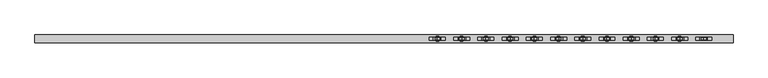
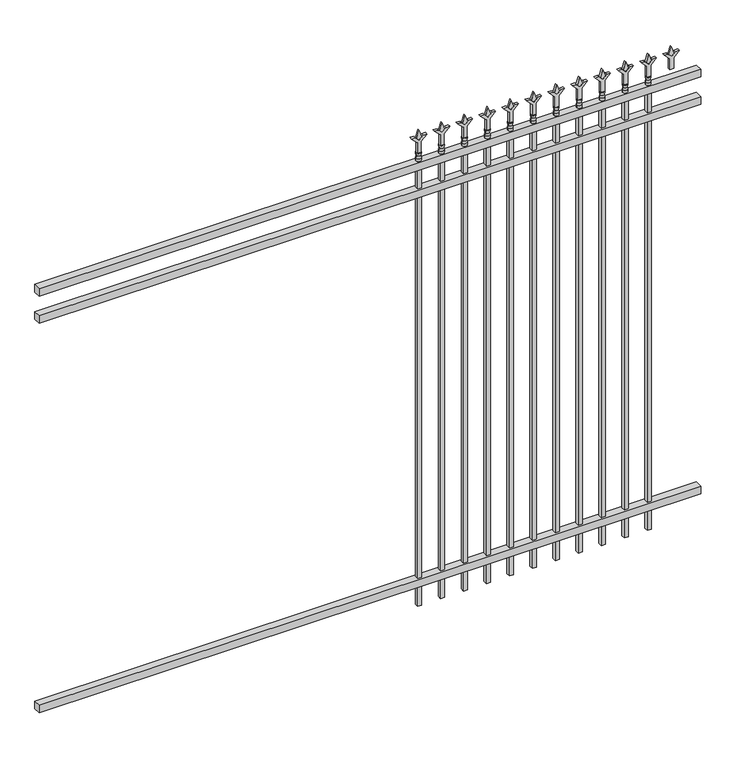
"""IFC4 building model written with IfcOpenShell, lengths in millimetres: railing geometry."""

from ifc_helpers import new_model, si_unit, frame, origin, place, context, project, spatial, polyline, circle_curve, outline, extrude, source, transform, mapped, element, save
from ifc_brep_helpers import plane_surface, cylinder_surface, revolved_surface, advanced_brep


def railing_1cf04734(model_context):
    return source(origin(), model_context, "Body", "SolidModel", [
        extrude(outline(polyline([(-55249.318087, -3091.1195174), (-55249.318087, -3056.1945174), (-52099.718087, -3056.1945174), (-52099.718087, -3091.1195174), (-55249.318087, -3091.1195174)])), frame((0.0, 0.0, 2247.9), z_axis=(0.0, 0.0, 1.0), x_axis=(1.0, 0.0, 0.0)), (0.0, 0.0, 1.0), 38.1),
        extrude(outline(polyline([(-55249.318087, -3091.1195174), (-55249.318087, -3056.1945174), (-52099.718087, -3056.1945174), (-52099.718087, -3091.1195174), (-55249.318087, -3091.1195174)])), frame((0.0, 0.0, 2111.375), z_axis=(0.0, 0.0, 1.0), x_axis=(1.0, 0.0, 0.0)), (0.0, 0.0, 1.0), 38.1),
        extrude(outline(polyline([(-55249.318087, -3091.1195174), (-55249.318087, -3056.1945174), (-52099.718087, -3056.1945174), (-52099.718087, -3091.1195174), (-55249.318087, -3091.1195174)])), frame((0.0, 0.0, 152.4), z_axis=(0.0, 0.0, 1.0), x_axis=(1.0, 0.0, 0.0)), (0.0, 0.0, 1.0), 38.1),
        extrude(outline(polyline([(2402.68125, -52328.8472536), (2438.4, -52340.7535036), (2402.68125, -52352.6597536), (2390.775, -52340.7535036), (2402.68125, -52328.8472536)])), frame((0.0, -3078.4195174, 0.0), z_axis=(0.0, 1.0, 0.0), x_axis=(0.0, 0.0, 1.0)), (0.0, 0.0, 1.0), 9.525),
        extrude(outline(polyline([(2327.275, -52332.0222536), (2381.5457378, -52332.0222536), (2408.7355122, -52304.8324791), (2408.7355122, -52322.7929914), (2390.775, -52340.7535036), (2408.7355122, -52358.7140159), (2408.7355122, -52376.6745281), (2381.5457378, -52349.4847536), (2327.275, -52349.4847536), (2327.275, -52332.0222536)])), frame((0.0, -3080.0070174, 0.0), z_axis=(0.0, 1.0, 0.0), x_axis=(0.0, 0.0, 1.0)), (0.0, 0.0, 1.0), 12.7),
        advanced_brep(
        [(-52328.8472536, -3073.6570174, 2298.7), (-52352.6597536, -3073.6570174, 2298.7), (-52352.6597536, -3073.6570174, 2286.0), (-52328.8472536, -3073.6570174, 2286.0), (-52331.0525855, -3073.6570174, 2311.2070585), (-52350.4544218, -3073.6570174, 2311.2070585), (-52328.8472536, -3073.6570174, 2327.275), (-52352.6597536, -3073.6570174, 2327.275), (-52340.7535036, -3073.6570174, 2327.275), (-52340.7535036, -3073.6570174, 2286.0)],
        [
            (0, 1, circle_curve(frame((-52340.7535036, -3073.6570174, 2298.7), z_axis=(0.0, 0.0, -1.0), x_axis=(-1.0, 0.0, 0.0)), 11.90625)),
            (1, 2),
            (2, 3, circle_curve(frame((-52340.7535036, -3073.6570174, 2286.0), z_axis=(0.0, 0.0, 1.0), x_axis=(-1.0, 0.0, 0.0)), 11.90625)),
            (3, 0),
            (1, 0, circle_curve(frame((-52340.7535036, -3073.6570174, 2298.7), z_axis=(0.0, 0.0, -1.0), x_axis=(-1.0, 0.0, 0.0)), 11.90625)),
            (3, 2, circle_curve(frame((-52340.7535036, -3073.6570174, 2286.0), z_axis=(0.0, 0.0, 1.0), x_axis=(-1.0, 0.0, 0.0)), 11.90625)),
            (4, 5, circle_curve(frame((-52340.7535036, -3073.6570174, 2311.2070585), z_axis=(0.0, 0.0, -1.0), x_axis=(-1.0, 0.0, 0.0)), 9.7009181)),
            (5, 1),
            (0, 4),
            (5, 4, circle_curve(frame((-52340.7535036, -3073.6570174, 2311.2070585), z_axis=(0.0, 0.0, -1.0), x_axis=(-1.0, 0.0, 0.0)), 9.7009181)),
            (6, 7, circle_curve(frame((-52340.7535036, -3073.6570174, 2327.275), z_axis=(0.0, 0.0, -1.0), x_axis=(-1.0, 0.0, 0.0)), 11.90625)),
            (7, 5),
            (4, 6),
            (7, 6, circle_curve(frame((-52340.7535036, -3073.6570174, 2327.275), z_axis=(0.0, 0.0, -1.0), x_axis=(-1.0, 0.0, 0.0)), 11.90625)),
            (8, 7),
            (6, 8),
            (2, 9),
            (9, 3),
        ],
        [
            cylinder_surface(frame((-52340.7535036, -3073.6570174, 2286.0), z_axis=(0.0, 0.0, 1.0), x_axis=(-1.0, 0.0, 0.0)), 11.90625),
            revolved_surface(polyline([(-52352.6597536, -3073.6570174, 2298.7), (-52350.4544218, -3073.6570174, 2311.2070585)]), (-52340.7535036, -3073.6570174, 2286.0), (0.0, 0.0, 1.0)),
            revolved_surface(polyline([(-52350.4544218, -3073.6570174, 2311.2070585), (-52352.6597536, -3073.6570174, 2327.275)]), (-52340.7535036, -3073.6570174, 2286.0), (0.0, 0.0, 1.0)),
            plane_surface(frame((-52340.7535036, -3073.6570174, 2327.275), z_axis=(0.0, 0.0, 1.0), x_axis=(-1.0, 0.0, 0.0))),
            plane_surface(frame((-52340.7535036, -3073.6570174, 2286.0), z_axis=(0.0, 0.0, -1.0), x_axis=(-1.0, 0.0, 0.0))),
        ],
        [
            (0, [[1, 2, 3, 4]]),
            (0, [[5, -4, 6, -2]]),
            (1, [[7, 8, -1, 9]]),
            (1, [[10, -9, -5, -8]]),
            (2, [[11, 12, -7, 13]]),
            (2, [[14, -13, -10, -12]]),
            (3, [[15, -11, 16]]),
            (3, [[-16, -14, -15]]),
            (4, [[-3, 17, 18]]),
            (4, [[-6, -18, -17]]),
        ],
    ),
        extrude(outline(polyline([(-52350.2785036, -3064.1320174), (-52331.2285036, -3064.1320174), (-52331.2285036, -3083.1820174), (-52350.2785036, -3083.1820174), (-52350.2785036, -3064.1320174)])), frame((0.0, 0.0, 50.8), z_axis=(0.0, 0.0, 1.0), x_axis=(1.0, 0.0, 0.0)), (0.0, 0.0, 1.0), 2235.2),
        extrude(outline(polyline([(2402.68125, -52438.1201703), (2438.4, -52450.0264203), (2402.68125, -52461.9326703), (2390.775, -52450.0264203), (2402.68125, -52438.1201703)])), frame((0.0, -3078.4195174, 0.0), z_axis=(0.0, 1.0, 0.0), x_axis=(0.0, 0.0, 1.0)), (0.0, 0.0, 1.0), 9.525),
        extrude(outline(polyline([(2327.275, -52441.2951703), (2381.5457378, -52441.2951703), (2408.7355122, -52414.1053958), (2408.7355122, -52432.0659081), (2390.775, -52450.0264203), (2408.7355122, -52467.9869325), (2408.7355122, -52485.9474448), (2381.5457378, -52458.7576703), (2327.275, -52458.7576703), (2327.275, -52441.2951703)])), frame((0.0, -3080.0070174, 0.0), z_axis=(0.0, 1.0, 0.0), x_axis=(0.0, 0.0, 1.0)), (0.0, 0.0, 1.0), 12.7),
        advanced_brep(
        [(-52438.1201703, -3073.6570174, 2298.7), (-52461.9326703, -3073.6570174, 2298.7), (-52461.9326703, -3073.6570174, 2286.0), (-52438.1201703, -3073.6570174, 2286.0), (-52440.3255022, -3073.6570174, 2311.2070585), (-52459.7273384, -3073.6570174, 2311.2070585), (-52438.1201703, -3073.6570174, 2327.275), (-52461.9326703, -3073.6570174, 2327.275), (-52450.0264203, -3073.6570174, 2327.275), (-52450.0264203, -3073.6570174, 2286.0)],
        [
            (0, 1, circle_curve(frame((-52450.0264203, -3073.6570174, 2298.7), z_axis=(0.0, 0.0, -1.0), x_axis=(-1.0, 0.0, 0.0)), 11.90625)),
            (1, 2),
            (2, 3, circle_curve(frame((-52450.0264203, -3073.6570174, 2286.0), z_axis=(0.0, 0.0, 1.0), x_axis=(-1.0, 0.0, 0.0)), 11.90625)),
            (3, 0),
            (1, 0, circle_curve(frame((-52450.0264203, -3073.6570174, 2298.7), z_axis=(0.0, 0.0, -1.0), x_axis=(-1.0, 0.0, 0.0)), 11.90625)),
            (3, 2, circle_curve(frame((-52450.0264203, -3073.6570174, 2286.0), z_axis=(0.0, 0.0, 1.0), x_axis=(-1.0, 0.0, 0.0)), 11.90625)),
            (4, 5, circle_curve(frame((-52450.0264203, -3073.6570174, 2311.2070585), z_axis=(0.0, 0.0, -1.0), x_axis=(-1.0, 0.0, 0.0)), 9.7009181)),
            (5, 1),
            (0, 4),
            (5, 4, circle_curve(frame((-52450.0264203, -3073.6570174, 2311.2070585), z_axis=(0.0, 0.0, -1.0), x_axis=(-1.0, 0.0, 0.0)), 9.7009181)),
            (6, 7, circle_curve(frame((-52450.0264203, -3073.6570174, 2327.275), z_axis=(0.0, 0.0, -1.0), x_axis=(-1.0, 0.0, 0.0)), 11.90625)),
            (7, 5),
            (4, 6),
            (7, 6, circle_curve(frame((-52450.0264203, -3073.6570174, 2327.275), z_axis=(0.0, 0.0, -1.0), x_axis=(-1.0, 0.0, 0.0)), 11.90625)),
            (8, 7),
            (6, 8),
            (2, 9),
            (9, 3),
        ],
        [
            cylinder_surface(frame((-52450.0264203, -3073.6570174, 2286.0), z_axis=(0.0, 0.0, 1.0), x_axis=(-1.0, 0.0, 0.0)), 11.90625),
            revolved_surface(polyline([(-52461.9326703, -3073.6570174, 2298.7), (-52459.7273384, -3073.6570174, 2311.2070585)]), (-52450.0264203, -3073.6570174, 2286.0), (0.0, 0.0, 1.0)),
            revolved_surface(polyline([(-52459.7273384, -3073.6570174, 2311.2070585), (-52461.9326703, -3073.6570174, 2327.275)]), (-52450.0264203, -3073.6570174, 2286.0), (0.0, 0.0, 1.0)),
            plane_surface(frame((-52450.0264203, -3073.6570174, 2327.275), z_axis=(0.0, 0.0, 1.0), x_axis=(-1.0, 0.0, 0.0))),
            plane_surface(frame((-52450.0264203, -3073.6570174, 2286.0), z_axis=(0.0, 0.0, -1.0), x_axis=(-1.0, 0.0, 0.0))),
        ],
        [
            (0, [[1, 2, 3, 4]]),
            (0, [[5, -4, 6, -2]]),
            (1, [[7, 8, -1, 9]]),
            (1, [[10, -9, -5, -8]]),
            (2, [[11, 12, -7, 13]]),
            (2, [[14, -13, -10, -12]]),
            (3, [[15, -11, 16]]),
            (3, [[-16, -14, -15]]),
            (4, [[-3, 17, 18]]),
            (4, [[-6, -18, -17]]),
        ],
    ),
        extrude(outline(polyline([(-52459.5514203, -3064.1320174), (-52440.5014203, -3064.1320174), (-52440.5014203, -3083.1820174), (-52459.5514203, -3083.1820174), (-52459.5514203, -3064.1320174)])), frame((0.0, 0.0, 50.8), z_axis=(0.0, 0.0, 1.0), x_axis=(1.0, 0.0, 0.0)), (0.0, 0.0, 1.0), 2235.2),
        extrude(outline(polyline([(2402.68125, -52547.393087), (2438.4, -52559.299337), (2402.68125, -52571.205587), (2390.775, -52559.299337), (2402.68125, -52547.393087)])), frame((0.0, -3078.4195174, 0.0), z_axis=(0.0, 1.0, 0.0), x_axis=(0.0, 0.0, 1.0)), (0.0, 0.0, 1.0), 9.525),
        extrude(outline(polyline([(2327.275, -52550.568087), (2381.5457378, -52550.568087), (2408.7355122, -52523.3783125), (2408.7355122, -52541.3388247), (2390.775, -52559.299337), (2408.7355122, -52577.2598492), (2408.7355122, -52595.2203614), (2381.5457378, -52568.030587), (2327.275, -52568.030587), (2327.275, -52550.568087)])), frame((0.0, -3080.0070174, 0.0), z_axis=(0.0, 1.0, 0.0), x_axis=(0.0, 0.0, 1.0)), (0.0, 0.0, 1.0), 12.7),
        advanced_brep(
        [(-52547.393087, -3073.6570174, 2298.7), (-52571.205587, -3073.6570174, 2298.7), (-52571.205587, -3073.6570174, 2286.0), (-52547.393087, -3073.6570174, 2286.0), (-52549.5984188, -3073.6570174, 2311.2070585), (-52569.0002551, -3073.6570174, 2311.2070585), (-52547.393087, -3073.6570174, 2327.275), (-52571.205587, -3073.6570174, 2327.275), (-52559.299337, -3073.6570174, 2327.275), (-52559.299337, -3073.6570174, 2286.0)],
        [
            (0, 1, circle_curve(frame((-52559.299337, -3073.6570174, 2298.7), z_axis=(0.0, 0.0, -1.0), x_axis=(-1.0, 0.0, 0.0)), 11.90625)),
            (1, 2),
            (2, 3, circle_curve(frame((-52559.299337, -3073.6570174, 2286.0), z_axis=(0.0, 0.0, 1.0), x_axis=(-1.0, 0.0, 0.0)), 11.90625)),
            (3, 0),
            (1, 0, circle_curve(frame((-52559.299337, -3073.6570174, 2298.7), z_axis=(0.0, 0.0, -1.0), x_axis=(-1.0, 0.0, 0.0)), 11.90625)),
            (3, 2, circle_curve(frame((-52559.299337, -3073.6570174, 2286.0), z_axis=(0.0, 0.0, 1.0), x_axis=(-1.0, 0.0, 0.0)), 11.90625)),
            (4, 5, circle_curve(frame((-52559.299337, -3073.6570174, 2311.2070585), z_axis=(0.0, 0.0, -1.0), x_axis=(-1.0, 0.0, 0.0)), 9.7009181)),
            (5, 1),
            (0, 4),
            (5, 4, circle_curve(frame((-52559.299337, -3073.6570174, 2311.2070585), z_axis=(0.0, 0.0, -1.0), x_axis=(-1.0, 0.0, 0.0)), 9.7009181)),
            (6, 7, circle_curve(frame((-52559.299337, -3073.6570174, 2327.275), z_axis=(0.0, 0.0, -1.0), x_axis=(-1.0, 0.0, 0.0)), 11.90625)),
            (7, 5),
            (4, 6),
            (7, 6, circle_curve(frame((-52559.299337, -3073.6570174, 2327.275), z_axis=(0.0, 0.0, -1.0), x_axis=(-1.0, 0.0, 0.0)), 11.90625)),
            (8, 7),
            (6, 8),
            (2, 9),
            (9, 3),
        ],
        [
            cylinder_surface(frame((-52559.299337, -3073.6570174, 2286.0), z_axis=(0.0, 0.0, 1.0), x_axis=(-1.0, 0.0, 0.0)), 11.90625),
            revolved_surface(polyline([(-52571.205587, -3073.6570174, 2298.7), (-52569.0002551, -3073.6570174, 2311.2070585)]), (-52559.299337, -3073.6570174, 2286.0), (0.0, 0.0, 1.0)),
            revolved_surface(polyline([(-52569.0002551, -3073.6570174, 2311.2070585), (-52571.205587, -3073.6570174, 2327.275)]), (-52559.299337, -3073.6570174, 2286.0), (0.0, 0.0, 1.0)),
            plane_surface(frame((-52559.299337, -3073.6570174, 2327.275), z_axis=(0.0, 0.0, 1.0), x_axis=(-1.0, 0.0, 0.0))),
            plane_surface(frame((-52559.299337, -3073.6570174, 2286.0), z_axis=(0.0, 0.0, -1.0), x_axis=(-1.0, 0.0, 0.0))),
        ],
        [
            (0, [[1, 2, 3, 4]]),
            (0, [[5, -4, 6, -2]]),
            (1, [[7, 8, -1, 9]]),
            (1, [[10, -9, -5, -8]]),
            (2, [[11, 12, -7, 13]]),
            (2, [[14, -13, -10, -12]]),
            (3, [[15, -11, 16]]),
            (3, [[-16, -14, -15]]),
            (4, [[-3, 17, 18]]),
            (4, [[-6, -18, -17]]),
        ],
    ),
        extrude(outline(polyline([(-52568.824337, -3064.1320174), (-52549.774337, -3064.1320174), (-52549.774337, -3083.1820174), (-52568.824337, -3083.1820174), (-52568.824337, -3064.1320174)])), frame((0.0, 0.0, 50.8), z_axis=(0.0, 0.0, 1.0), x_axis=(1.0, 0.0, 0.0)), (0.0, 0.0, 1.0), 2235.2),
        extrude(outline(polyline([(2402.68125, -52656.6660036), (2438.4, -52668.5722536), (2402.68125, -52680.4785036), (2390.775, -52668.5722536), (2402.68125, -52656.6660036)])), frame((0.0, -3078.4195174, 0.0), z_axis=(0.0, 1.0, 0.0), x_axis=(0.0, 0.0, 1.0)), (0.0, 0.0, 1.0), 9.525),
        extrude(outline(polyline([(2327.275, -52659.8410036), (2381.5457378, -52659.8410036), (2408.7355122, -52632.6512291), (2408.7355122, -52650.6117414), (2390.775, -52668.5722536), (2408.7355122, -52686.5327659), (2408.7355122, -52704.4932781), (2381.5457378, -52677.3035036), (2327.275, -52677.3035036), (2327.275, -52659.8410036)])), frame((0.0, -3080.0070174, 0.0), z_axis=(0.0, 1.0, 0.0), x_axis=(0.0, 0.0, 1.0)), (0.0, 0.0, 1.0), 12.7),
        advanced_brep(
        [(-52656.6660036, -3073.6570174, 2298.7), (-52680.4785036, -3073.6570174, 2298.7), (-52680.4785036, -3073.6570174, 2286.0), (-52656.6660036, -3073.6570174, 2286.0), (-52658.8713355, -3073.6570174, 2311.2070585), (-52678.2731718, -3073.6570174, 2311.2070585), (-52656.6660036, -3073.6570174, 2327.275), (-52680.4785036, -3073.6570174, 2327.275), (-52668.5722536, -3073.6570174, 2327.275), (-52668.5722536, -3073.6570174, 2286.0)],
        [
            (0, 1, circle_curve(frame((-52668.5722536, -3073.6570174, 2298.7), z_axis=(0.0, 0.0, -1.0), x_axis=(-1.0, 0.0, 0.0)), 11.90625)),
            (1, 2),
            (2, 3, circle_curve(frame((-52668.5722536, -3073.6570174, 2286.0), z_axis=(0.0, 0.0, 1.0), x_axis=(-1.0, 0.0, 0.0)), 11.90625)),
            (3, 0),
            (1, 0, circle_curve(frame((-52668.5722536, -3073.6570174, 2298.7), z_axis=(0.0, 0.0, -1.0), x_axis=(-1.0, 0.0, 0.0)), 11.90625)),
            (3, 2, circle_curve(frame((-52668.5722536, -3073.6570174, 2286.0), z_axis=(0.0, 0.0, 1.0), x_axis=(-1.0, 0.0, 0.0)), 11.90625)),
            (4, 5, circle_curve(frame((-52668.5722536, -3073.6570174, 2311.2070585), z_axis=(0.0, 0.0, -1.0), x_axis=(-1.0, 0.0, 0.0)), 9.7009181)),
            (5, 1),
            (0, 4),
            (5, 4, circle_curve(frame((-52668.5722536, -3073.6570174, 2311.2070585), z_axis=(0.0, 0.0, -1.0), x_axis=(-1.0, 0.0, 0.0)), 9.7009181)),
            (6, 7, circle_curve(frame((-52668.5722536, -3073.6570174, 2327.275), z_axis=(0.0, 0.0, -1.0), x_axis=(-1.0, 0.0, 0.0)), 11.90625)),
            (7, 5),
            (4, 6),
            (7, 6, circle_curve(frame((-52668.5722536, -3073.6570174, 2327.275), z_axis=(0.0, 0.0, -1.0), x_axis=(-1.0, 0.0, 0.0)), 11.90625)),
            (8, 7),
            (6, 8),
            (2, 9),
            (9, 3),
        ],
        [
            cylinder_surface(frame((-52668.5722536, -3073.6570174, 2286.0), z_axis=(0.0, 0.0, 1.0), x_axis=(-1.0, 0.0, 0.0)), 11.90625),
            revolved_surface(polyline([(-52680.4785036, -3073.6570174, 2298.7), (-52678.2731718, -3073.6570174, 2311.2070585)]), (-52668.5722536, -3073.6570174, 2286.0), (0.0, 0.0, 1.0)),
            revolved_surface(polyline([(-52678.2731718, -3073.6570174, 2311.2070585), (-52680.4785036, -3073.6570174, 2327.275)]), (-52668.5722536, -3073.6570174, 2286.0), (0.0, 0.0, 1.0)),
            plane_surface(frame((-52668.5722536, -3073.6570174, 2327.275), z_axis=(0.0, 0.0, 1.0), x_axis=(-1.0, 0.0, 0.0))),
            plane_surface(frame((-52668.5722536, -3073.6570174, 2286.0), z_axis=(0.0, 0.0, -1.0), x_axis=(-1.0, 0.0, 0.0))),
        ],
        [
            (0, [[1, 2, 3, 4]]),
            (0, [[5, -4, 6, -2]]),
            (1, [[7, 8, -1, 9]]),
            (1, [[10, -9, -5, -8]]),
            (2, [[11, 12, -7, 13]]),
            (2, [[14, -13, -10, -12]]),
            (3, [[15, -11, 16]]),
            (3, [[-16, -14, -15]]),
            (4, [[-3, 17, 18]]),
            (4, [[-6, -18, -17]]),
        ],
    ),
        extrude(outline(polyline([(-52678.0972536, -3064.1320174), (-52659.0472536, -3064.1320174), (-52659.0472536, -3083.1820174), (-52678.0972536, -3083.1820174), (-52678.0972536, -3064.1320174)])), frame((0.0, 0.0, 50.8), z_axis=(0.0, 0.0, 1.0), x_axis=(1.0, 0.0, 0.0)), (0.0, 0.0, 1.0), 2235.2),
        extrude(outline(polyline([(2402.68125, -52765.9389203), (2438.4, -52777.8451703), (2402.68125, -52789.7514203), (2390.775, -52777.8451703), (2402.68125, -52765.9389203)])), frame((0.0, -3078.4195174, 0.0), z_axis=(0.0, 1.0, 0.0), x_axis=(0.0, 0.0, 1.0)), (0.0, 0.0, 1.0), 9.525),
        extrude(outline(polyline([(2327.275, -52769.1139203), (2381.5457378, -52769.1139203), (2408.7355122, -52741.9241458), (2408.7355122, -52759.8846581), (2390.775, -52777.8451703), (2408.7355122, -52795.8056825), (2408.7355122, -52813.7661948), (2381.5457378, -52786.5764203), (2327.275, -52786.5764203), (2327.275, -52769.1139203)])), frame((0.0, -3080.0070174, 0.0), z_axis=(0.0, 1.0, 0.0), x_axis=(0.0, 0.0, 1.0)), (0.0, 0.0, 1.0), 12.7),
        advanced_brep(
        [(-52765.9389203, -3073.6570174, 2298.7), (-52789.7514203, -3073.6570174, 2298.7), (-52789.7514203, -3073.6570174, 2286.0), (-52765.9389203, -3073.6570174, 2286.0), (-52768.1442522, -3073.6570174, 2311.2070585), (-52787.5460884, -3073.6570174, 2311.2070585), (-52765.9389203, -3073.6570174, 2327.275), (-52789.7514203, -3073.6570174, 2327.275), (-52777.8451703, -3073.6570174, 2327.275), (-52777.8451703, -3073.6570174, 2286.0)],
        [
            (0, 1, circle_curve(frame((-52777.8451703, -3073.6570174, 2298.7), z_axis=(0.0, 0.0, -1.0), x_axis=(-1.0, 0.0, 0.0)), 11.90625)),
            (1, 2),
            (2, 3, circle_curve(frame((-52777.8451703, -3073.6570174, 2286.0), z_axis=(0.0, 0.0, 1.0), x_axis=(-1.0, 0.0, 0.0)), 11.90625)),
            (3, 0),
            (1, 0, circle_curve(frame((-52777.8451703, -3073.6570174, 2298.7), z_axis=(0.0, 0.0, -1.0), x_axis=(-1.0, 0.0, 0.0)), 11.90625)),
            (3, 2, circle_curve(frame((-52777.8451703, -3073.6570174, 2286.0), z_axis=(0.0, 0.0, 1.0), x_axis=(-1.0, 0.0, 0.0)), 11.90625)),
            (4, 5, circle_curve(frame((-52777.8451703, -3073.6570174, 2311.2070585), z_axis=(0.0, 0.0, -1.0), x_axis=(-1.0, 0.0, 0.0)), 9.7009181)),
            (5, 1),
            (0, 4),
            (5, 4, circle_curve(frame((-52777.8451703, -3073.6570174, 2311.2070585), z_axis=(0.0, 0.0, -1.0), x_axis=(-1.0, 0.0, 0.0)), 9.7009181)),
            (6, 7, circle_curve(frame((-52777.8451703, -3073.6570174, 2327.275), z_axis=(0.0, 0.0, -1.0), x_axis=(-1.0, 0.0, 0.0)), 11.90625)),
            (7, 5),
            (4, 6),
            (7, 6, circle_curve(frame((-52777.8451703, -3073.6570174, 2327.275), z_axis=(0.0, 0.0, -1.0), x_axis=(-1.0, 0.0, 0.0)), 11.90625)),
            (8, 7),
            (6, 8),
            (2, 9),
            (9, 3),
        ],
        [
            cylinder_surface(frame((-52777.8451703, -3073.6570174, 2286.0), z_axis=(0.0, 0.0, 1.0), x_axis=(-1.0, 0.0, 0.0)), 11.90625),
            revolved_surface(polyline([(-52789.7514203, -3073.6570174, 2298.7), (-52787.5460884, -3073.6570174, 2311.2070585)]), (-52777.8451703, -3073.6570174, 2286.0), (0.0, 0.0, 1.0)),
            revolved_surface(polyline([(-52787.5460884, -3073.6570174, 2311.2070585), (-52789.7514203, -3073.6570174, 2327.275)]), (-52777.8451703, -3073.6570174, 2286.0), (0.0, 0.0, 1.0)),
            plane_surface(frame((-52777.8451703, -3073.6570174, 2327.275), z_axis=(0.0, 0.0, 1.0), x_axis=(-1.0, 0.0, 0.0))),
            plane_surface(frame((-52777.8451703, -3073.6570174, 2286.0), z_axis=(0.0, 0.0, -1.0), x_axis=(-1.0, 0.0, 0.0))),
        ],
        [
            (0, [[1, 2, 3, 4]]),
            (0, [[5, -4, 6, -2]]),
            (1, [[7, 8, -1, 9]]),
            (1, [[10, -9, -5, -8]]),
            (2, [[11, 12, -7, 13]]),
            (2, [[14, -13, -10, -12]]),
            (3, [[15, -11, 16]]),
            (3, [[-16, -14, -15]]),
            (4, [[-3, 17, 18]]),
            (4, [[-6, -18, -17]]),
        ],
    ),
        extrude(outline(polyline([(-52787.3701703, -3064.1320174), (-52768.3201703, -3064.1320174), (-52768.3201703, -3083.1820174), (-52787.3701703, -3083.1820174), (-52787.3701703, -3064.1320174)])), frame((0.0, 0.0, 50.8), z_axis=(0.0, 0.0, 1.0), x_axis=(1.0, 0.0, 0.0)), (0.0, 0.0, 1.0), 2235.2),
        extrude(outline(polyline([(2402.68125, -52875.211837), (2438.4, -52887.118087), (2402.68125, -52899.024337), (2390.775, -52887.118087), (2402.68125, -52875.211837)])), frame((0.0, -3078.4195174, 0.0), z_axis=(0.0, 1.0, 0.0), x_axis=(0.0, 0.0, 1.0)), (0.0, 0.0, 1.0), 9.525),
        extrude(outline(polyline([(2327.275, -52878.386837), (2381.5457378, -52878.386837), (2408.7355122, -52851.1970625), (2408.7355122, -52869.1575747), (2390.775, -52887.118087), (2408.7355122, -52905.0785992), (2408.7355122, -52923.0391114), (2381.5457378, -52895.849337), (2327.275, -52895.849337), (2327.275, -52878.386837)])), frame((0.0, -3080.0070174, 0.0), z_axis=(0.0, 1.0, 0.0), x_axis=(0.0, 0.0, 1.0)), (0.0, 0.0, 1.0), 12.7),
        advanced_brep(
        [(-52875.211837, -3073.6570174, 2298.7), (-52899.024337, -3073.6570174, 2298.7), (-52899.024337, -3073.6570174, 2286.0), (-52875.211837, -3073.6570174, 2286.0), (-52877.4171688, -3073.6570174, 2311.2070585), (-52896.8190051, -3073.6570174, 2311.2070585), (-52875.211837, -3073.6570174, 2327.275), (-52899.024337, -3073.6570174, 2327.275), (-52887.118087, -3073.6570174, 2327.275), (-52887.118087, -3073.6570174, 2286.0)],
        [
            (0, 1, circle_curve(frame((-52887.118087, -3073.6570174, 2298.7), z_axis=(0.0, 0.0, -1.0), x_axis=(-1.0, 0.0, 0.0)), 11.90625)),
            (1, 2),
            (2, 3, circle_curve(frame((-52887.118087, -3073.6570174, 2286.0), z_axis=(0.0, 0.0, 1.0), x_axis=(-1.0, 0.0, 0.0)), 11.90625)),
            (3, 0),
            (1, 0, circle_curve(frame((-52887.118087, -3073.6570174, 2298.7), z_axis=(0.0, 0.0, -1.0), x_axis=(-1.0, 0.0, 0.0)), 11.90625)),
            (3, 2, circle_curve(frame((-52887.118087, -3073.6570174, 2286.0), z_axis=(0.0, 0.0, 1.0), x_axis=(-1.0, 0.0, 0.0)), 11.90625)),
            (4, 5, circle_curve(frame((-52887.118087, -3073.6570174, 2311.2070585), z_axis=(0.0, 0.0, -1.0), x_axis=(-1.0, 0.0, 0.0)), 9.7009181)),
            (5, 1),
            (0, 4),
            (5, 4, circle_curve(frame((-52887.118087, -3073.6570174, 2311.2070585), z_axis=(0.0, 0.0, -1.0), x_axis=(-1.0, 0.0, 0.0)), 9.7009181)),
            (6, 7, circle_curve(frame((-52887.118087, -3073.6570174, 2327.275), z_axis=(0.0, 0.0, -1.0), x_axis=(-1.0, 0.0, 0.0)), 11.90625)),
            (7, 5),
            (4, 6),
            (7, 6, circle_curve(frame((-52887.118087, -3073.6570174, 2327.275), z_axis=(0.0, 0.0, -1.0), x_axis=(-1.0, 0.0, 0.0)), 11.90625)),
            (8, 7),
            (6, 8),
            (2, 9),
            (9, 3),
        ],
        [
            cylinder_surface(frame((-52887.118087, -3073.6570174, 2286.0), z_axis=(0.0, 0.0, 1.0), x_axis=(-1.0, 0.0, 0.0)), 11.90625),
            revolved_surface(polyline([(-52899.024337, -3073.6570174, 2298.7), (-52896.8190051, -3073.6570174, 2311.2070585)]), (-52887.118087, -3073.6570174, 2286.0), (0.0, 0.0, 1.0)),
            revolved_surface(polyline([(-52896.8190051, -3073.6570174, 2311.2070585), (-52899.024337, -3073.6570174, 2327.275)]), (-52887.118087, -3073.6570174, 2286.0), (0.0, 0.0, 1.0)),
            plane_surface(frame((-52887.118087, -3073.6570174, 2327.275), z_axis=(0.0, 0.0, 1.0), x_axis=(-1.0, 0.0, 0.0))),
            plane_surface(frame((-52887.118087, -3073.6570174, 2286.0), z_axis=(0.0, 0.0, -1.0), x_axis=(-1.0, 0.0, 0.0))),
        ],
        [
            (0, [[1, 2, 3, 4]]),
            (0, [[5, -4, 6, -2]]),
            (1, [[7, 8, -1, 9]]),
            (1, [[10, -9, -5, -8]]),
            (2, [[11, 12, -7, 13]]),
            (2, [[14, -13, -10, -12]]),
            (3, [[15, -11, 16]]),
            (3, [[-16, -14, -15]]),
            (4, [[-3, 17, 18]]),
            (4, [[-6, -18, -17]]),
        ],
    ),
        extrude(outline(polyline([(-52896.643087, -3064.1320174), (-52877.593087, -3064.1320174), (-52877.593087, -3083.1820174), (-52896.643087, -3083.1820174), (-52896.643087, -3064.1320174)])), frame((0.0, 0.0, 50.8), z_axis=(0.0, 0.0, 1.0), x_axis=(1.0, 0.0, 0.0)), (0.0, 0.0, 1.0), 2235.2),
        extrude(outline(polyline([(2402.68125, -52984.4847536), (2438.4, -52996.3910036), (2402.68125, -53008.2972536), (2390.775, -52996.3910036), (2402.68125, -52984.4847536)])), frame((0.0, -3078.4195174, 0.0), z_axis=(0.0, 1.0, 0.0), x_axis=(0.0, 0.0, 1.0)), (0.0, 0.0, 1.0), 9.525),
        extrude(outline(polyline([(2327.275, -52987.6597536), (2381.5457378, -52987.6597536), (2408.7355122, -52960.4699791), (2408.7355122, -52978.4304914), (2390.775, -52996.3910036), (2408.7355122, -53014.3515159), (2408.7355122, -53032.3120281), (2381.5457378, -53005.1222536), (2327.275, -53005.1222536), (2327.275, -52987.6597536)])), frame((0.0, -3080.0070174, 0.0), z_axis=(0.0, 1.0, 0.0), x_axis=(0.0, 0.0, 1.0)), (0.0, 0.0, 1.0), 12.7),
        advanced_brep(
        [(-52984.4847536, -3073.6570174, 2298.7), (-53008.2972536, -3073.6570174, 2298.7), (-53008.2972536, -3073.6570174, 2286.0), (-52984.4847536, -3073.6570174, 2286.0), (-52986.6900855, -3073.6570174, 2311.2070585), (-53006.0919218, -3073.6570174, 2311.2070585), (-52984.4847536, -3073.6570174, 2327.275), (-53008.2972536, -3073.6570174, 2327.275), (-52996.3910036, -3073.6570174, 2327.275), (-52996.3910036, -3073.6570174, 2286.0)],
        [
            (0, 1, circle_curve(frame((-52996.3910036, -3073.6570174, 2298.7), z_axis=(0.0, 0.0, -1.0), x_axis=(-1.0, 0.0, 0.0)), 11.90625)),
            (1, 2),
            (2, 3, circle_curve(frame((-52996.3910036, -3073.6570174, 2286.0), z_axis=(0.0, 0.0, 1.0), x_axis=(-1.0, 0.0, 0.0)), 11.90625)),
            (3, 0),
            (1, 0, circle_curve(frame((-52996.3910036, -3073.6570174, 2298.7), z_axis=(0.0, 0.0, -1.0), x_axis=(-1.0, 0.0, 0.0)), 11.90625)),
            (3, 2, circle_curve(frame((-52996.3910036, -3073.6570174, 2286.0), z_axis=(0.0, 0.0, 1.0), x_axis=(-1.0, 0.0, 0.0)), 11.90625)),
            (4, 5, circle_curve(frame((-52996.3910036, -3073.6570174, 2311.2070585), z_axis=(0.0, 0.0, -1.0), x_axis=(-1.0, 0.0, 0.0)), 9.7009181)),
            (5, 1),
            (0, 4),
            (5, 4, circle_curve(frame((-52996.3910036, -3073.6570174, 2311.2070585), z_axis=(0.0, 0.0, -1.0), x_axis=(-1.0, 0.0, 0.0)), 9.7009181)),
            (6, 7, circle_curve(frame((-52996.3910036, -3073.6570174, 2327.275), z_axis=(0.0, 0.0, -1.0), x_axis=(-1.0, 0.0, 0.0)), 11.90625)),
            (7, 5),
            (4, 6),
            (7, 6, circle_curve(frame((-52996.3910036, -3073.6570174, 2327.275), z_axis=(0.0, 0.0, -1.0), x_axis=(-1.0, 0.0, 0.0)), 11.90625)),
            (8, 7),
            (6, 8),
            (2, 9),
            (9, 3),
        ],
        [
            cylinder_surface(frame((-52996.3910036, -3073.6570174, 2286.0), z_axis=(0.0, 0.0, 1.0), x_axis=(-1.0, 0.0, 0.0)), 11.90625),
            revolved_surface(polyline([(-53008.2972536, -3073.6570174, 2298.7), (-53006.0919218, -3073.6570174, 2311.2070585)]), (-52996.3910036, -3073.6570174, 2286.0), (0.0, 0.0, 1.0)),
            revolved_surface(polyline([(-53006.0919218, -3073.6570174, 2311.2070585), (-53008.2972536, -3073.6570174, 2327.275)]), (-52996.3910036, -3073.6570174, 2286.0), (0.0, 0.0, 1.0)),
            plane_surface(frame((-52996.3910036, -3073.6570174, 2327.275), z_axis=(0.0, 0.0, 1.0), x_axis=(-1.0, 0.0, 0.0))),
            plane_surface(frame((-52996.3910036, -3073.6570174, 2286.0), z_axis=(0.0, 0.0, -1.0), x_axis=(-1.0, 0.0, 0.0))),
        ],
        [
            (0, [[1, 2, 3, 4]]),
            (0, [[5, -4, 6, -2]]),
            (1, [[7, 8, -1, 9]]),
            (1, [[10, -9, -5, -8]]),
            (2, [[11, 12, -7, 13]]),
            (2, [[14, -13, -10, -12]]),
            (3, [[15, -11, 16]]),
            (3, [[-16, -14, -15]]),
            (4, [[-3, 17, 18]]),
            (4, [[-6, -18, -17]]),
        ],
    ),
        extrude(outline(polyline([(-53005.9160036, -3064.1320174), (-52986.8660036, -3064.1320174), (-52986.8660036, -3083.1820174), (-53005.9160036, -3083.1820174), (-53005.9160036, -3064.1320174)])), frame((0.0, 0.0, 50.8), z_axis=(0.0, 0.0, 1.0), x_axis=(1.0, 0.0, 0.0)), (0.0, 0.0, 1.0), 2235.2),
        extrude(outline(polyline([(2402.68125, -53093.7576703), (2438.4, -53105.6639203), (2402.68125, -53117.5701703), (2390.775, -53105.6639203), (2402.68125, -53093.7576703)])), frame((0.0, -3078.4195174, 0.0), z_axis=(0.0, 1.0, 0.0), x_axis=(0.0, 0.0, 1.0)), (0.0, 0.0, 1.0), 9.525),
        extrude(outline(polyline([(2327.275, -53096.9326703), (2381.5457378, -53096.9326703), (2408.7355122, -53069.7428958), (2408.7355122, -53087.7034081), (2390.775, -53105.6639203), (2408.7355122, -53123.6244325), (2408.7355122, -53141.5849448), (2381.5457378, -53114.3951703), (2327.275, -53114.3951703), (2327.275, -53096.9326703)])), frame((0.0, -3080.0070174, 0.0), z_axis=(0.0, 1.0, 0.0), x_axis=(0.0, 0.0, 1.0)), (0.0, 0.0, 1.0), 12.7),
        advanced_brep(
        [(-53093.7576703, -3073.6570174, 2298.7), (-53117.5701703, -3073.6570174, 2298.7), (-53117.5701703, -3073.6570174, 2286.0), (-53093.7576703, -3073.6570174, 2286.0), (-53095.9630022, -3073.6570174, 2311.2070585), (-53115.3648384, -3073.6570174, 2311.2070585), (-53093.7576703, -3073.6570174, 2327.275), (-53117.5701703, -3073.6570174, 2327.275), (-53105.6639203, -3073.6570174, 2327.275), (-53105.6639203, -3073.6570174, 2286.0)],
        [
            (0, 1, circle_curve(frame((-53105.6639203, -3073.6570174, 2298.7), z_axis=(0.0, 0.0, -1.0), x_axis=(-1.0, 0.0, 0.0)), 11.90625)),
            (1, 2),
            (2, 3, circle_curve(frame((-53105.6639203, -3073.6570174, 2286.0), z_axis=(0.0, 0.0, 1.0), x_axis=(-1.0, 0.0, 0.0)), 11.90625)),
            (3, 0),
            (1, 0, circle_curve(frame((-53105.6639203, -3073.6570174, 2298.7), z_axis=(0.0, 0.0, -1.0), x_axis=(-1.0, 0.0, 0.0)), 11.90625)),
            (3, 2, circle_curve(frame((-53105.6639203, -3073.6570174, 2286.0), z_axis=(0.0, 0.0, 1.0), x_axis=(-1.0, 0.0, 0.0)), 11.90625)),
            (4, 5, circle_curve(frame((-53105.6639203, -3073.6570174, 2311.2070585), z_axis=(0.0, 0.0, -1.0), x_axis=(-1.0, 0.0, 0.0)), 9.7009181)),
            (5, 1),
            (0, 4),
            (5, 4, circle_curve(frame((-53105.6639203, -3073.6570174, 2311.2070585), z_axis=(0.0, 0.0, -1.0), x_axis=(-1.0, 0.0, 0.0)), 9.7009181)),
            (6, 7, circle_curve(frame((-53105.6639203, -3073.6570174, 2327.275), z_axis=(0.0, 0.0, -1.0), x_axis=(-1.0, 0.0, 0.0)), 11.90625)),
            (7, 5),
            (4, 6),
            (7, 6, circle_curve(frame((-53105.6639203, -3073.6570174, 2327.275), z_axis=(0.0, 0.0, -1.0), x_axis=(-1.0, 0.0, 0.0)), 11.90625)),
            (8, 7),
            (6, 8),
            (2, 9),
            (9, 3),
        ],
        [
            cylinder_surface(frame((-53105.6639203, -3073.6570174, 2286.0), z_axis=(0.0, 0.0, 1.0), x_axis=(-1.0, 0.0, 0.0)), 11.90625),
            revolved_surface(polyline([(-53117.5701703, -3073.6570174, 2298.7), (-53115.3648384, -3073.6570174, 2311.2070585)]), (-53105.6639203, -3073.6570174, 2286.0), (0.0, 0.0, 1.0)),
            revolved_surface(polyline([(-53115.3648384, -3073.6570174, 2311.2070585), (-53117.5701703, -3073.6570174, 2327.275)]), (-53105.6639203, -3073.6570174, 2286.0), (0.0, 0.0, 1.0)),
            plane_surface(frame((-53105.6639203, -3073.6570174, 2327.275), z_axis=(0.0, 0.0, 1.0), x_axis=(-1.0, 0.0, 0.0))),
            plane_surface(frame((-53105.6639203, -3073.6570174, 2286.0), z_axis=(0.0, 0.0, -1.0), x_axis=(-1.0, 0.0, 0.0))),
        ],
        [
            (0, [[1, 2, 3, 4]]),
            (0, [[5, -4, 6, -2]]),
            (1, [[7, 8, -1, 9]]),
            (1, [[10, -9, -5, -8]]),
            (2, [[11, 12, -7, 13]]),
            (2, [[14, -13, -10, -12]]),
            (3, [[15, -11, 16]]),
            (3, [[-16, -14, -15]]),
            (4, [[-3, 17, 18]]),
            (4, [[-6, -18, -17]]),
        ],
    ),
        extrude(outline(polyline([(-53115.1889203, -3064.1320174), (-53096.1389203, -3064.1320174), (-53096.1389203, -3083.1820174), (-53115.1889203, -3083.1820174), (-53115.1889203, -3064.1320174)])), frame((0.0, 0.0, 50.8), z_axis=(0.0, 0.0, 1.0), x_axis=(1.0, 0.0, 0.0)), (0.0, 0.0, 1.0), 2235.2),
        extrude(outline(polyline([(2402.68125, -53203.030587), (2438.4, -53214.936837), (2402.68125, -53226.843087), (2390.775, -53214.936837), (2402.68125, -53203.030587)])), frame((0.0, -3078.4195174, 0.0), z_axis=(0.0, 1.0, 0.0), x_axis=(0.0, 0.0, 1.0)), (0.0, 0.0, 1.0), 9.525),
        extrude(outline(polyline([(2327.275, -53206.205587), (2381.5457378, -53206.205587), (2408.7355122, -53179.0158125), (2408.7355122, -53196.9763247), (2390.775, -53214.936837), (2408.7355122, -53232.8973492), (2408.7355122, -53250.8578614), (2381.5457378, -53223.668087), (2327.275, -53223.668087), (2327.275, -53206.205587)])), frame((0.0, -3080.0070174, 0.0), z_axis=(0.0, 1.0, 0.0), x_axis=(0.0, 0.0, 1.0)), (0.0, 0.0, 1.0), 12.7),
        advanced_brep(
        [(-53203.030587, -3073.6570174, 2298.7), (-53226.843087, -3073.6570174, 2298.7), (-53226.843087, -3073.6570174, 2286.0), (-53203.030587, -3073.6570174, 2286.0), (-53205.2359188, -3073.6570174, 2311.2070585), (-53224.6377551, -3073.6570174, 2311.2070585), (-53203.030587, -3073.6570174, 2327.275), (-53226.843087, -3073.6570174, 2327.275), (-53214.936837, -3073.6570174, 2327.275), (-53214.936837, -3073.6570174, 2286.0)],
        [
            (0, 1, circle_curve(frame((-53214.936837, -3073.6570174, 2298.7), z_axis=(0.0, 0.0, -1.0), x_axis=(-1.0, 0.0, 0.0)), 11.90625)),
            (1, 2),
            (2, 3, circle_curve(frame((-53214.936837, -3073.6570174, 2286.0), z_axis=(0.0, 0.0, 1.0), x_axis=(-1.0, 0.0, 0.0)), 11.90625)),
            (3, 0),
            (1, 0, circle_curve(frame((-53214.936837, -3073.6570174, 2298.7), z_axis=(0.0, 0.0, -1.0), x_axis=(-1.0, 0.0, 0.0)), 11.90625)),
            (3, 2, circle_curve(frame((-53214.936837, -3073.6570174, 2286.0), z_axis=(0.0, 0.0, 1.0), x_axis=(-1.0, 0.0, 0.0)), 11.90625)),
            (4, 5, circle_curve(frame((-53214.936837, -3073.6570174, 2311.2070585), z_axis=(0.0, 0.0, -1.0), x_axis=(-1.0, 0.0, 0.0)), 9.7009181)),
            (5, 1),
            (0, 4),
            (5, 4, circle_curve(frame((-53214.936837, -3073.6570174, 2311.2070585), z_axis=(0.0, 0.0, -1.0), x_axis=(-1.0, 0.0, 0.0)), 9.7009181)),
            (6, 7, circle_curve(frame((-53214.936837, -3073.6570174, 2327.275), z_axis=(0.0, 0.0, -1.0), x_axis=(-1.0, 0.0, 0.0)), 11.90625)),
            (7, 5),
            (4, 6),
            (7, 6, circle_curve(frame((-53214.936837, -3073.6570174, 2327.275), z_axis=(0.0, 0.0, -1.0), x_axis=(-1.0, 0.0, 0.0)), 11.90625)),
            (8, 7),
            (6, 8),
            (2, 9),
            (9, 3),
        ],
        [
            cylinder_surface(frame((-53214.936837, -3073.6570174, 2286.0), z_axis=(0.0, 0.0, 1.0), x_axis=(-1.0, 0.0, 0.0)), 11.90625),
            revolved_surface(polyline([(-53226.843087, -3073.6570174, 2298.7), (-53224.6377551, -3073.6570174, 2311.2070585)]), (-53214.936837, -3073.6570174, 2286.0), (0.0, 0.0, 1.0)),
            revolved_surface(polyline([(-53224.6377551, -3073.6570174, 2311.2070585), (-53226.843087, -3073.6570174, 2327.275)]), (-53214.936837, -3073.6570174, 2286.0), (0.0, 0.0, 1.0)),
            plane_surface(frame((-53214.936837, -3073.6570174, 2327.275), z_axis=(0.0, 0.0, 1.0), x_axis=(-1.0, 0.0, 0.0))),
            plane_surface(frame((-53214.936837, -3073.6570174, 2286.0), z_axis=(0.0, 0.0, -1.0), x_axis=(-1.0, 0.0, 0.0))),
        ],
        [
            (0, [[1, 2, 3, 4]]),
            (0, [[5, -4, 6, -2]]),
            (1, [[7, 8, -1, 9]]),
            (1, [[10, -9, -5, -8]]),
            (2, [[11, 12, -7, 13]]),
            (2, [[14, -13, -10, -12]]),
            (3, [[15, -11, 16]]),
            (3, [[-16, -14, -15]]),
            (4, [[-3, 17, 18]]),
            (4, [[-6, -18, -17]]),
        ],
    ),
        extrude(outline(polyline([(-53224.461837, -3064.1320174), (-53205.411837, -3064.1320174), (-53205.411837, -3083.1820174), (-53224.461837, -3083.1820174), (-53224.461837, -3064.1320174)])), frame((0.0, 0.0, 50.8), z_axis=(0.0, 0.0, 1.0), x_axis=(1.0, 0.0, 0.0)), (0.0, 0.0, 1.0), 2235.2),
        extrude(outline(polyline([(2402.68125, -53312.3035036), (2438.4, -53324.2097536), (2402.68125, -53336.1160036), (2390.775, -53324.2097536), (2402.68125, -53312.3035036)])), frame((0.0, -3078.4195174, 0.0), z_axis=(0.0, 1.0, 0.0), x_axis=(0.0, 0.0, 1.0)), (0.0, 0.0, 1.0), 9.525),
        extrude(outline(polyline([(2327.275, -53315.4785036), (2381.5457378, -53315.4785036), (2408.7355122, -53288.2887291), (2408.7355122, -53306.2492414), (2390.775, -53324.2097536), (2408.7355122, -53342.1702659), (2408.7355122, -53360.1307781), (2381.5457378, -53332.9410036), (2327.275, -53332.9410036), (2327.275, -53315.4785036)])), frame((0.0, -3080.0070174, 0.0), z_axis=(0.0, 1.0, 0.0), x_axis=(0.0, 0.0, 1.0)), (0.0, 0.0, 1.0), 12.7),
        advanced_brep(
        [(-53312.3035036, -3073.6570174, 2298.7), (-53336.1160036, -3073.6570174, 2298.7), (-53336.1160036, -3073.6570174, 2286.0), (-53312.3035036, -3073.6570174, 2286.0), (-53314.5088355, -3073.6570174, 2311.2070585), (-53333.9106718, -3073.6570174, 2311.2070585), (-53312.3035036, -3073.6570174, 2327.275), (-53336.1160036, -3073.6570174, 2327.275), (-53324.2097536, -3073.6570174, 2327.275), (-53324.2097536, -3073.6570174, 2286.0)],
        [
            (0, 1, circle_curve(frame((-53324.2097536, -3073.6570174, 2298.7), z_axis=(0.0, 0.0, -1.0), x_axis=(-1.0, 0.0, 0.0)), 11.90625)),
            (1, 2),
            (2, 3, circle_curve(frame((-53324.2097536, -3073.6570174, 2286.0), z_axis=(0.0, 0.0, 1.0), x_axis=(-1.0, 0.0, 0.0)), 11.90625)),
            (3, 0),
            (1, 0, circle_curve(frame((-53324.2097536, -3073.6570174, 2298.7), z_axis=(0.0, 0.0, -1.0), x_axis=(-1.0, 0.0, 0.0)), 11.90625)),
            (3, 2, circle_curve(frame((-53324.2097536, -3073.6570174, 2286.0), z_axis=(0.0, 0.0, 1.0), x_axis=(-1.0, 0.0, 0.0)), 11.90625)),
            (4, 5, circle_curve(frame((-53324.2097536, -3073.6570174, 2311.2070585), z_axis=(0.0, 0.0, -1.0), x_axis=(-1.0, 0.0, 0.0)), 9.7009181)),
            (5, 1),
            (0, 4),
            (5, 4, circle_curve(frame((-53324.2097536, -3073.6570174, 2311.2070585), z_axis=(0.0, 0.0, -1.0), x_axis=(-1.0, 0.0, 0.0)), 9.7009181)),
            (6, 7, circle_curve(frame((-53324.2097536, -3073.6570174, 2327.275), z_axis=(0.0, 0.0, -1.0), x_axis=(-1.0, 0.0, 0.0)), 11.90625)),
            (7, 5),
            (4, 6),
            (7, 6, circle_curve(frame((-53324.2097536, -3073.6570174, 2327.275), z_axis=(0.0, 0.0, -1.0), x_axis=(-1.0, 0.0, 0.0)), 11.90625)),
            (8, 7),
            (6, 8),
            (2, 9),
            (9, 3),
        ],
        [
            cylinder_surface(frame((-53324.2097536, -3073.6570174, 2286.0), z_axis=(0.0, 0.0, 1.0), x_axis=(-1.0, 0.0, 0.0)), 11.90625),
            revolved_surface(polyline([(-53336.1160036, -3073.6570174, 2298.7), (-53333.9106718, -3073.6570174, 2311.2070585)]), (-53324.2097536, -3073.6570174, 2286.0), (0.0, 0.0, 1.0)),
            revolved_surface(polyline([(-53333.9106718, -3073.6570174, 2311.2070585), (-53336.1160036, -3073.6570174, 2327.275)]), (-53324.2097536, -3073.6570174, 2286.0), (0.0, 0.0, 1.0)),
            plane_surface(frame((-53324.2097536, -3073.6570174, 2327.275), z_axis=(0.0, 0.0, 1.0), x_axis=(-1.0, 0.0, 0.0))),
            plane_surface(frame((-53324.2097536, -3073.6570174, 2286.0), z_axis=(0.0, 0.0, -1.0), x_axis=(-1.0, 0.0, 0.0))),
        ],
        [
            (0, [[1, 2, 3, 4]]),
            (0, [[5, -4, 6, -2]]),
            (1, [[7, 8, -1, 9]]),
            (1, [[10, -9, -5, -8]]),
            (2, [[11, 12, -7, 13]]),
            (2, [[14, -13, -10, -12]]),
            (3, [[15, -11, 16]]),
            (3, [[-16, -14, -15]]),
            (4, [[-3, 17, 18]]),
            (4, [[-6, -18, -17]]),
        ],
    ),
        extrude(outline(polyline([(-53333.7347536, -3064.1320174), (-53314.6847536, -3064.1320174), (-53314.6847536, -3083.1820174), (-53333.7347536, -3083.1820174), (-53333.7347536, -3064.1320174)])), frame((0.0, 0.0, 50.8), z_axis=(0.0, 0.0, 1.0), x_axis=(1.0, 0.0, 0.0)), (0.0, 0.0, 1.0), 2235.2),
        extrude(outline(polyline([(2402.68125, -53421.5764203), (2438.4, -53433.4826703), (2402.68125, -53445.3889203), (2390.775, -53433.4826703), (2402.68125, -53421.5764203)])), frame((0.0, -3078.4195174, 0.0), z_axis=(0.0, 1.0, 0.0), x_axis=(0.0, 0.0, 1.0)), (0.0, 0.0, 1.0), 9.525),
        extrude(outline(polyline([(2327.275, -53424.7514203), (2381.5457378, -53424.7514203), (2408.7355122, -53397.5616458), (2408.7355122, -53415.5221581), (2390.775, -53433.4826703), (2408.7355122, -53451.4431825), (2408.7355122, -53469.4036948), (2381.5457378, -53442.2139203), (2327.275, -53442.2139203), (2327.275, -53424.7514203)])), frame((0.0, -3080.0070174, 0.0), z_axis=(0.0, 1.0, 0.0), x_axis=(0.0, 0.0, 1.0)), (0.0, 0.0, 1.0), 12.7),
        advanced_brep(
        [(-53421.5764203, -3073.6570174, 2298.7), (-53445.3889203, -3073.6570174, 2298.7), (-53445.3889203, -3073.6570174, 2286.0), (-53421.5764203, -3073.6570174, 2286.0), (-53423.7817522, -3073.6570174, 2311.2070585), (-53443.1835884, -3073.6570174, 2311.2070585), (-53421.5764203, -3073.6570174, 2327.275), (-53445.3889203, -3073.6570174, 2327.275), (-53433.4826703, -3073.6570174, 2327.275), (-53433.4826703, -3073.6570174, 2286.0)],
        [
            (0, 1, circle_curve(frame((-53433.4826703, -3073.6570174, 2298.7), z_axis=(0.0, 0.0, -1.0), x_axis=(-1.0, 0.0, 0.0)), 11.90625)),
            (1, 2),
            (2, 3, circle_curve(frame((-53433.4826703, -3073.6570174, 2286.0), z_axis=(0.0, 0.0, 1.0), x_axis=(-1.0, 0.0, 0.0)), 11.90625)),
            (3, 0),
            (1, 0, circle_curve(frame((-53433.4826703, -3073.6570174, 2298.7), z_axis=(0.0, 0.0, -1.0), x_axis=(-1.0, 0.0, 0.0)), 11.90625)),
            (3, 2, circle_curve(frame((-53433.4826703, -3073.6570174, 2286.0), z_axis=(0.0, 0.0, 1.0), x_axis=(-1.0, 0.0, 0.0)), 11.90625)),
            (4, 5, circle_curve(frame((-53433.4826703, -3073.6570174, 2311.2070585), z_axis=(0.0, 0.0, -1.0), x_axis=(-1.0, 0.0, 0.0)), 9.7009181)),
            (5, 1),
            (0, 4),
            (5, 4, circle_curve(frame((-53433.4826703, -3073.6570174, 2311.2070585), z_axis=(0.0, 0.0, -1.0), x_axis=(-1.0, 0.0, 0.0)), 9.7009181)),
            (6, 7, circle_curve(frame((-53433.4826703, -3073.6570174, 2327.275), z_axis=(0.0, 0.0, -1.0), x_axis=(-1.0, 0.0, 0.0)), 11.90625)),
            (7, 5),
            (4, 6),
            (7, 6, circle_curve(frame((-53433.4826703, -3073.6570174, 2327.275), z_axis=(0.0, 0.0, -1.0), x_axis=(-1.0, 0.0, 0.0)), 11.90625)),
            (8, 7),
            (6, 8),
            (2, 9),
            (9, 3),
        ],
        [
            cylinder_surface(frame((-53433.4826703, -3073.6570174, 2286.0), z_axis=(0.0, 0.0, 1.0), x_axis=(-1.0, 0.0, 0.0)), 11.90625),
            revolved_surface(polyline([(-53445.3889203, -3073.6570174, 2298.7), (-53443.1835884, -3073.6570174, 2311.2070585)]), (-53433.4826703, -3073.6570174, 2286.0), (0.0, 0.0, 1.0)),
            revolved_surface(polyline([(-53443.1835884, -3073.6570174, 2311.2070585), (-53445.3889203, -3073.6570174, 2327.275)]), (-53433.4826703, -3073.6570174, 2286.0), (0.0, 0.0, 1.0)),
            plane_surface(frame((-53433.4826703, -3073.6570174, 2327.275), z_axis=(0.0, 0.0, 1.0), x_axis=(-1.0, 0.0, 0.0))),
            plane_surface(frame((-53433.4826703, -3073.6570174, 2286.0), z_axis=(0.0, 0.0, -1.0), x_axis=(-1.0, 0.0, 0.0))),
        ],
        [
            (0, [[1, 2, 3, 4]]),
            (0, [[5, -4, 6, -2]]),
            (1, [[7, 8, -1, 9]]),
            (1, [[10, -9, -5, -8]]),
            (2, [[11, 12, -7, 13]]),
            (2, [[14, -13, -10, -12]]),
            (3, [[15, -11, 16]]),
            (3, [[-16, -14, -15]]),
            (4, [[-3, 17, 18]]),
            (4, [[-6, -18, -17]]),
        ],
    ),
        extrude(outline(polyline([(-53443.0076703, -3064.1320174), (-53423.9576703, -3064.1320174), (-53423.9576703, -3083.1820174), (-53443.0076703, -3083.1820174), (-53443.0076703, -3064.1320174)])), frame((0.0, 0.0, 50.8), z_axis=(0.0, 0.0, 1.0), x_axis=(1.0, 0.0, 0.0)), (0.0, 0.0, 1.0), 2235.2),
        extrude(outline(polyline([(2402.68125, -52219.574337), (2438.4, -52231.480587), (2402.68125, -52243.386837), (2390.775, -52231.480587), (2402.68125, -52219.574337)])), frame((0.0, -3078.4195174, 0.0), z_axis=(0.0, 1.0, 0.0), x_axis=(0.0, 0.0, 1.0)), (0.0, 0.0, 1.0), 9.525),
        extrude(outline(polyline([(2327.275, -52222.749337), (2381.5457378, -52222.749337), (2408.7355122, -52195.5595625), (2408.7355122, -52213.5200747), (2390.775, -52231.480587), (2408.7355122, -52249.4410992), (2408.7355122, -52267.4016114), (2381.5457378, -52240.211837), (2327.275, -52240.211837), (2327.275, -52222.749337)])), frame((0.0, -3080.0070174, 0.0), z_axis=(0.0, 1.0, 0.0), x_axis=(0.0, 0.0, 1.0)), (0.0, 0.0, 1.0), 12.7),
    ])


if __name__ == "__main__":
    model = new_model("IFC4")
    model_context = context("Model", 3, world=origin())
    ifc_project = project(units=[si_unit("LENGTHUNIT", "METRE", prefix="MILLI")], contexts=[model_context])
    site = spatial("IfcSite", under=ifc_project)
    building = spatial("IfcBuilding", under=site)
    placement = place(None, origin())
    railing_shape = railing_1cf04734(model_context)
    element("IfcRailing", 1, at=placement, inside=building, context=model_context, shape_type="MappedRepresentation", body=[
        mapped(railing_shape, transform((0.0, 0.0, 0.0), x_axis=(1.0, 0.0, 0.0), y_axis=(0.0, 1.0, 0.0), z_axis=(0.0, 0.0, 1.0))),
    ])
    save(model, "model.ifc")
